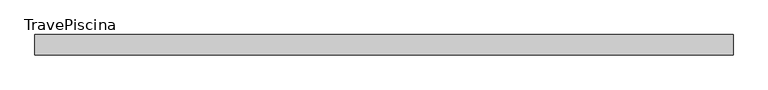
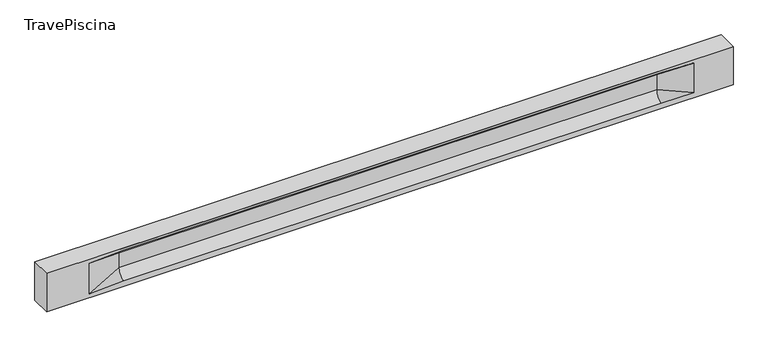
"""IFC4 building model written with IfcOpenShell, lengths in millimetres: beam geometry, TravePiscina."""

from ifc_helpers import new_model, si_unit, frame, origin, place, context, project, spatial, polyline, circle_curve, source, transform, mapped, element, save
from ifc_brep_helpers import plane_surface, revolved_surface, spline_surface, advanced_brep


def travepiscina_d0578dcd(model_context):
    return source(origin(), model_context, "Body", "AdvancedBrep", [
        advanced_brep(
        [(8486.0, -250.0, 500.0), (8486.0, -250.0, -500.0), (8486.0, 250.0, -500.0), (8486.0, 250.0, 500.0), (-8486.0, -250.0, 500.0), (-8486.0, -250.0, -500.0), (7511.0, -250.0, -362.0), (6711.0, -250.0, -360.0), (-6586.0, -250.0, -360.0), (-7436.0, -250.0, -400.0), (-7436.0, -250.0, 400.0), (-6586.0, -250.0, 435.0), (6711.0, -250.0, 435.0), (7511.0, -250.0, 400.0), (-8486.0, 250.0, -500.0), (-8486.0, 250.0, 500.0), (7511.0, 250.0, 400.0), (6711.0, 250.0, 435.0), (-6586.0, 250.0, 435.0), (-7436.0, 250.0, 400.0), (-7436.0, 250.0, -400.0), (-6586.0, 250.0, -360.0), (6711.0, 250.0, -360.0), (7511.0, 250.0, -362.0), (6711.0, 155.0, 405.0), (-6586.0, 155.0, 405.0), (-6586.0, -60.0, 262.777021), (6711.0, -60.0, 262.777021), (6711.0, -155.0, 405.0), (-6586.0, -155.0, 405.0), (-6586.0, 60.0, 262.777021), (6711.0, 60.0, 262.777021), (6711.0, 60.0, -120.0), (-6586.0, 60.0, -120.0), (-6586.0, -60.0, -120.0), (6711.0, -60.0, -120.0)],
        [
            (0, 1),
            (1, 2),
            (2, 3),
            (3, 0),
            (0, 4),
            (4, 5),
            (5, 1),
            (6, 7),
            (7, 8),
            (8, 9),
            (9, 10),
            (10, 11),
            (11, 12),
            (12, 13),
            (13, 6),
            (5, 14),
            (14, 2),
            (14, 15),
            (15, 3),
            (16, 17),
            (17, 18),
            (18, 19),
            (19, 20),
            (20, 21),
            (21, 22),
            (22, 23),
            (23, 16),
            (15, 4),
            (17, 24),
            (24, 25),
            (25, 18),
            (26, 27),
            (27, 28, circle_curve(frame((6711.0, -213.9598725, 262.777021), z_axis=(1.0, 0.0, 0.0), x_axis=(0.0, 1.0, 0.0)), 153.9598725)),
            (28, 29),
            (29, 26, circle_curve(frame((-6586.0, -213.9598725, 262.777021), z_axis=(-1.0, 0.0, 0.0), x_axis=(0.0, 1.0, 0.0)), 153.9598725)),
            (30, 31),
            (31, 32),
            (32, 33),
            (33, 30),
            (28, 12),
            (11, 29),
            (34, 35),
            (35, 27),
            (26, 34),
            (25, 19),
            (22, 32, circle_curve(frame((6711.0, 306.5789474, -120.0), z_axis=(-1.0, 0.0, 0.0), x_axis=(0.0, 1.0, 0.0)), 246.5789474)),
            (32, 23),
            (10, 29),
            (10, 26),
            (13, 28),
            (27, 13),
            (30, 19),
            (25, 30, circle_curve(frame((-6586.0, 213.9598725, 262.777021), z_axis=(1.0, 0.0, 0.0), x_axis=(0.0, 1.0, 0.0)), 153.9598725)),
            (9, 34),
            (8, 34, circle_curve(frame((-6586.0, -306.5789474, -120.0), z_axis=(1.0, 0.0, 0.0), x_axis=(0.0, 1.0, 0.0)), 246.5789474)),
            (20, 33),
            (33, 21, circle_curve(frame((-6586.0, 306.5789474, -120.0), z_axis=(1.0, 0.0, 0.0), x_axis=(0.0, 1.0, 0.0)), 246.5789474)),
            (35, 6),
            (35, 7, circle_curve(frame((6711.0, -306.5789474, -120.0), z_axis=(-1.0, 0.0, 0.0), x_axis=(0.0, 1.0, 0.0)), 246.5789474)),
            (31, 16),
            (31, 24, circle_curve(frame((6711.0, 213.9598725, 262.777021), z_axis=(-1.0, 0.0, 0.0), x_axis=(0.0, 1.0, 0.0)), 153.9598725)),
            (24, 16),
        ],
        [
            plane_surface(frame((8486.0, 0.0, 0.0), z_axis=(1.0, 0.0, 0.0), x_axis=(0.0, 0.0, 1.0))),
            plane_surface(frame((8486.0, -250.0, 500.0), z_axis=(0.0, -1.0, 0.0), x_axis=(-1.0, 0.0, 0.0))),
            plane_surface(frame((8486.0, -250.0, -500.0), z_axis=(0.0, 0.0, -1.0), x_axis=(-1.0, 0.0, 0.0))),
            plane_surface(frame((8486.0, 250.0, -500.0), z_axis=(0.0, 1.0, 0.0), x_axis=(-1.0, 0.0, 0.0))),
            plane_surface(frame((8486.0, 250.0, 500.0), z_axis=(0.0, 0.0, 1.0), x_axis=(-1.0, 0.0, 0.0))),
            plane_surface(frame((-6586.0, 250.0, 435.0), z_axis=(0.0, 0.30113136793710954, -0.9535826651341378), x_axis=(1.0, 0.0, 0.0))),
            plane_surface(frame((-8486.0, 0.0, 0.0), z_axis=(-1.0, 0.0, 0.0), x_axis=(0.0, 0.0, 1.0))),
            revolved_surface(polyline([(6711.0, -60.0, 262.777021), (-6586.0, -60.0, 262.777021)]), (-6586.0, -213.9598725, 262.777021), (1.0, 0.0, 0.0)),
            plane_surface(frame((-6586.0, 60.0, 262.777021), z_axis=(0.0, 1.0, 0.0), x_axis=(1.0, 0.0, 0.0))),
            plane_surface(frame((-6586.0, -155.0, 405.0), z_axis=(0.0, -0.30113136793710693, -0.9535826651341387), x_axis=(1.0, 0.0, 0.0))),
            plane_surface(frame((-6586.0, -60.0, -120.0), z_axis=(0.0, -1.0, 0.0), x_axis=(1.0, 0.0, 0.0))),
            plane_surface(frame((-7436.0, 250.0, 400.0), z_axis=(0.039234934914694146, 0.30089950084952793, -0.9528484193567961), x_axis=(0.0, 0.9535826651341378, 0.30113136793710954))),
            spline_surface(2, 1, [[(6711.0, 250.0, -360.0), (7511.0, 250.0, -362.0)], [(6711.0, 60.00000002887427, -315.20833329480604), (7511.0, 250.0, -362.0)], [(6711.0, 60.0, -120.0), (7511.0, 250.0, -362.0)]], [3, 3], [2, 2], [0.0, 1.0], [0.0, 1.0], weights=[[1.0, 1.0], [0.7840458245391329, 0.7840458245391329], [1.0, 1.0]]),
            plane_surface(frame((-7436.0, -250.0, 400.0), z_axis=(0.03923493491469418, -0.3008995008495253, -0.952848419356797), x_axis=(0.0, 0.9535826651341387, -0.30113136793710693))),
            spline_surface(2, 1, [[(-7436.0, -250.0, 400.0), (-6586.0, -155.0, 405.0)], [(-7436.0, -250.0, 400.0), (-6586.0, -60.00000008030692, 365.6168572114734)], [(-7436.0, -250.0, 400.0), (-6586.0, -60.0, 262.777021)]], [3, 3], [2, 2], [0.0, 1.0], [0.0, 1.0], weights=[[1.0, 1.0], [0.8315515924557569, 0.8315515924557569], [1.0, 1.0]]),
            spline_surface(2, 1, [[(6711.0, -155.0, 405.0), (7511.0, -250.0, 400.0)], [(6711.0, -60.00000008030692, 365.6168572114734), (7511.0, -250.0, 400.0)], [(6711.0, -60.0, 262.777021), (7511.0, -250.0, 400.0)]], [3, 3], [2, 2], [0.0, 1.0], [0.0, 1.0], weights=[[1.0, 1.0], [0.8315515924557569, 0.8315515924557569], [1.0, 1.0]]),
            plane_surface(frame((6711.0, -202.5, 420.0), z_axis=(-0.04168298285568746, -0.30086965068766125, -0.9527538938442274), x_axis=(0.0, 0.9535826651341387, -0.30113136793710693))),
            spline_surface(2, 1, [[(-7436.0, 250.0, 400.0), (-6586.0, 60.0, 262.777021)], [(-7436.0, 250.0, 400.0), (-6586.0, 59.99999995452379, 365.6168572954922)], [(-7436.0, 250.0, 400.0), (-6586.0, 155.0, 405.0)]], [3, 3], [2, 2], [0.0, 1.0], [0.0, 1.0], weights=[[1.0, 1.0], [0.8315515921160737, 0.8315515921160737], [1.0, 1.0]]),
            plane_surface(frame((-7436.0, -250.0, 0.0), z_axis=(0.21814596370705122, -0.9759161534262674, 0.0), x_axis=(0.0, 0.0, -1.0))),
            spline_surface(2, 1, [[(-7436.0, -250.0, -400.0), (-6586.0, -60.0, -120.0)], [(-7436.0, -250.0, -400.0), (-6586.0, -59.99999998020837, -315.20833333333337)], [(-7436.0, -250.0, -400.0), (-6586.0, -250.0, -360.0)]], [3, 3], [2, 2], [0.0, 1.0], [0.0, 1.0], weights=[[1.0, 1.0], [0.7840458244617614, 0.7840458244617614], [1.0, 1.0]]),
            spline_surface(2, 1, [[(-7436.0, 250.0, -400.0), (-6586.0, 250.0, -360.0)], [(-7436.0, 250.0, -400.0), (-6586.0, 60.00000002887427, -315.20833329480604)], [(-7436.0, 250.0, -400.0), (-6586.0, 60.0, -120.0)]], [3, 3], [2, 2], [0.0, 1.0], [0.0, 1.0], weights=[[1.0, 1.0], [0.7840458245391329, 0.7840458245391329], [1.0, 1.0]]),
            plane_surface(frame((-7436.0, 250.0, 0.0), z_axis=(0.21814596370704714, 0.9759161534262684, 0.0), x_axis=(0.0, 0.0, 1.0))),
            plane_surface(frame((6711.0, -60.0, 71.3885105), z_axis=(-0.23107243079589737, -0.9729365507195602, 0.0), x_axis=(0.0, 0.0, -1.0))),
            spline_surface(2, 1, [[(6711.0, -60.0, -120.0), (7511.0, -250.0, -362.0)], [(6711.0, -59.99999998020837, -315.20833333333337), (7511.0, -250.0, -362.0)], [(6711.0, -250.0, -360.0), (7511.0, -250.0, -362.0)]], [3, 3], [2, 2], [0.0, 1.0], [0.0, 1.0], weights=[[1.0, 1.0], [0.7840458244617614, 0.7840458244617614], [1.0, 1.0]]),
            plane_surface(frame((6711.0, 60.0, 71.3885105), z_axis=(-0.23107243079589093, 0.9729365507195618, 0.0), x_axis=(0.0, 0.0, 1.0))),
            spline_surface(2, 1, [[(6711.0, 60.0, 262.777021), (7511.0, 250.0, 400.0)], [(6711.0, 59.99999995452379, 365.6168572954922), (7511.0, 250.0, 400.0)], [(6711.0, 155.0, 405.0), (7511.0, 250.0, 400.0)]], [3, 3], [2, 2], [0.0, 1.0], [0.0, 1.0], weights=[[1.0, 1.0], [0.8315515921160737, 0.8315515921160737], [1.0, 1.0]]),
            plane_surface(frame((6711.0, 202.5, 420.0), z_axis=(-0.04168298285568672, 0.30086965068766386, -0.9527538938442265), x_axis=(0.0, 0.9535826651341378, 0.30113136793710954))),
            revolved_surface(polyline([(6711.0, 367.919745, 262.777021), (-6586.0, 367.919745, 262.777021)]), (-6586.0, 213.9598725, 262.777021), (1.0, 0.0, 0.0)),
            revolved_surface(polyline([(6711.0, 553.1578948, -120.0), (-6586.0, 553.1578948, -120.0)]), (-6586.0, 306.5789474, -120.0), (1.0, 0.0, 0.0)),
            revolved_surface(polyline([(6711.0, -60.0, -120.0), (-6586.0, -60.0, -120.0)]), (-6586.0, -306.5789474, -120.0), (1.0, 0.0, 0.0)),
        ],
        [
            (0, [[1, 2, 3, 4]]),
            (1, [[-1, 5, 6, 7], [8, 9, 10, 11, 12, 13, 14, 15]]),
            (2, [[-2, -7, 16, 17]]),
            (3, [[-3, -17, 18, 19], [20, 21, 22, 23, 24, 25, 26, 27]]),
            (4, [[-5, -4, -19, 28]]),
            (5, [[-21, 29, 30, 31]]),
            (6, [[-28, -18, -16, -6]]),
            (7, [[32, 33, 34, 35]]),
            (8, [[36, 37, 38, 39]]),
            (9, [[-34, 40, -13, 41]]),
            (10, [[42, 43, -32, 44]]),
            (11, [[45, -22, -31]]),
            (12, [[-26, 46, 47]]),
            (13, [[-12, 48, -41]]),
            (14, [[-48, 49, -35]]),
            (15, [[50, -33, 51]]),
            (16, [[-14, -40, -50]]),
            (17, [[52, -45, 53]]),
            (18, [[-49, -11, 54, -44]]),
            (19, [[-54, -10, 55]]),
            (20, [[-24, 56, 57]]),
            (21, [[-52, -39, -56, -23]]),
            (22, [[-51, -43, 58, -15]]),
            (23, [[-58, 59, -8]]),
            (24, [[-47, -37, 60, -27]]),
            (25, [[-60, 61, 62]]),
            (26, [[-62, -29, -20]]),
            (27, [[-30, -61, -36, -53]]),
            (28, [[-38, -46, -25, -57]]),
            (29, [[-9, -59, -42, -55]]),
        ],
    ),
    ])


if __name__ == "__main__":
    model = new_model("IFC4")
    model_context = context("Model", 3, world=origin())
    ifc_project = project(units=[si_unit("LENGTHUNIT", "METRE", prefix="MILLI")], contexts=[model_context])
    site = spatial("IfcSite", under=ifc_project)
    building = spatial("IfcBuilding", under=site)
    placement = place(None, origin())
    travepiscina_shape = travepiscina_d0578dcd(model_context)
    element("IfcBeam", 1, ObjectType="TravePiscina", at=placement, inside=building, context=model_context, shape_type="MappedRepresentation", body=[
        mapped(travepiscina_shape, transform((0.0, 0.0, 0.0), x_axis=(1.0, 0.0, 0.0), y_axis=(0.0, 1.0, 0.0), z_axis=(0.0, 0.0, 1.0))),
    ])
    save(model, "model.ifc")
